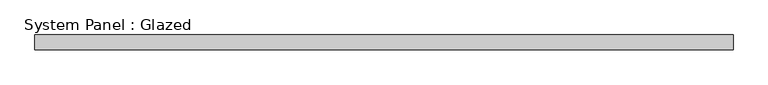
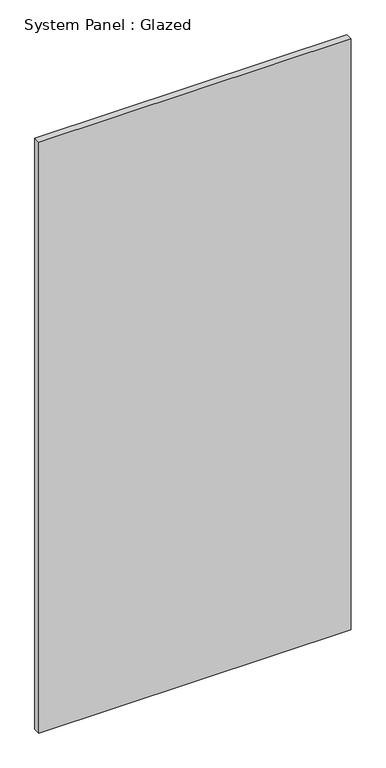
"""IFC4 building model written with IfcOpenShell, lengths in millimetres: plate geometry, System Panel : Glazed."""

from ifc_helpers import new_model, si_unit, origin, origin_with_axes, place, context, project, spatial, polyline, outline, extrude, source, transform, mapped, element, save


def system_panel_glazed_299b5140(model_context):
    return source(origin(), model_context, "Body", "SweptSolid", [
        extrude(outline(polyline([(587.5000001, 24.5), (-587.5000001, 24.5), (-587.5000001, 49.5), (587.5000001, 49.5), (587.5000001, 24.5)])), origin_with_axes(), (0.0, 0.0, 1.0), 2350.0),
    ])


if __name__ == "__main__":
    model = new_model("IFC4")
    model_context = context("Model", 3, world=origin())
    ifc_project = project(units=[si_unit("LENGTHUNIT", "METRE", prefix="MILLI")], contexts=[model_context])
    site = spatial("IfcSite", under=ifc_project)
    building = spatial("IfcBuilding", under=site)
    placement = place(None, origin())
    system_panel_glazed_shape = system_panel_glazed_299b5140(model_context)
    element("IfcPlate", 1, ObjectType="System Panel : Glazed", at=placement, inside=building, context=model_context, shape_type="MappedRepresentation", body=[
        mapped(system_panel_glazed_shape, transform((0.0, 0.0, 0.0), x_axis=(1.0, 0.0, 0.0), y_axis=(0.0, 1.0, 0.0), z_axis=(0.0, 0.0, 1.0))),
    ])
    save(model, "model.ifc")
